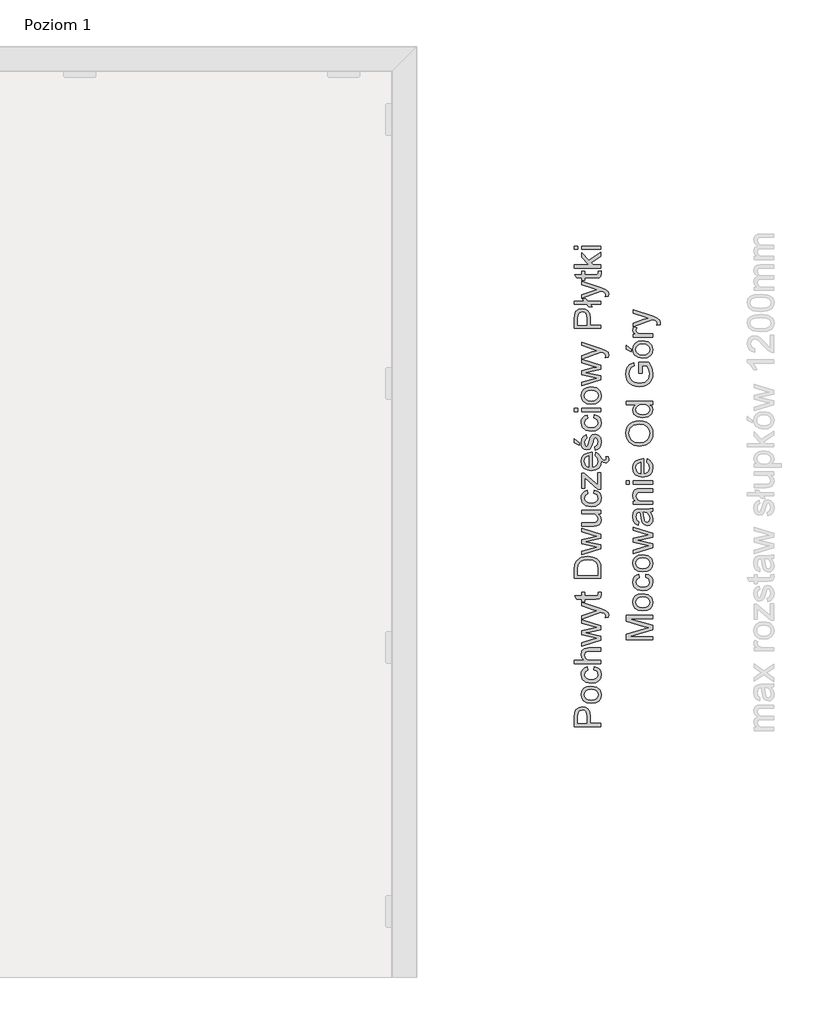
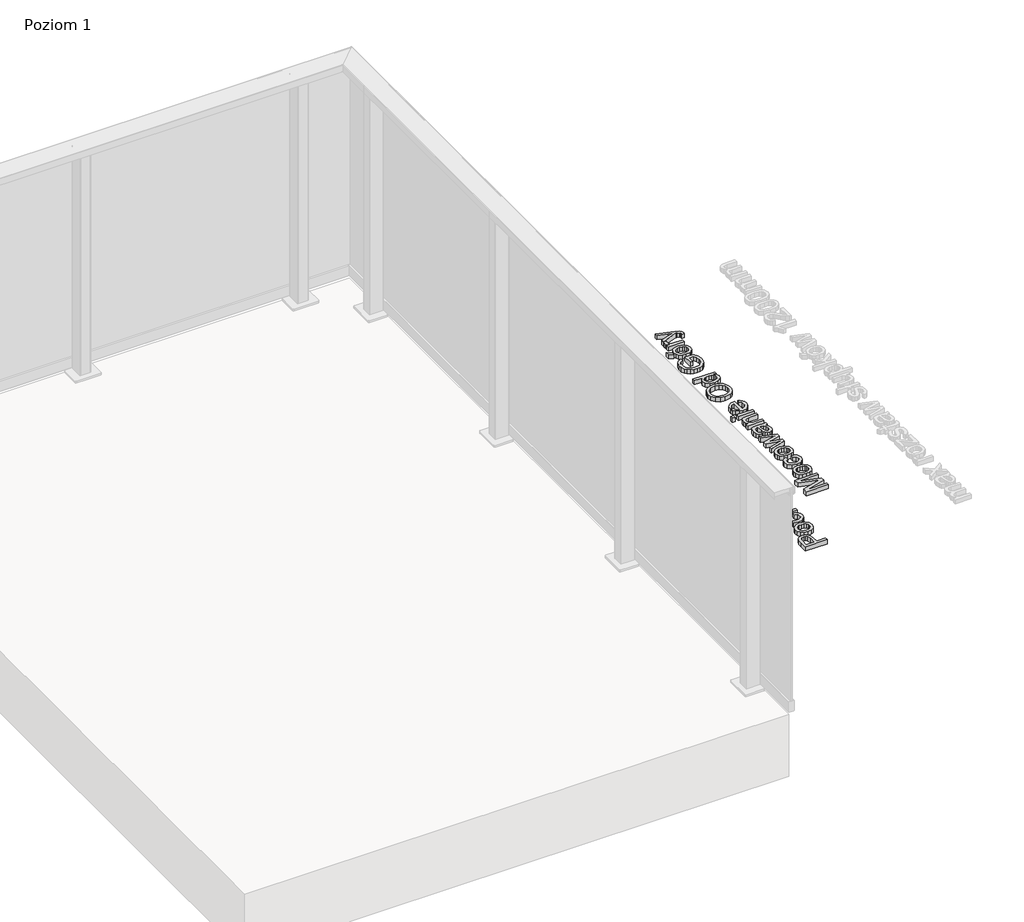
# One storey, part 24 of 35: 2 proxies.
"""IFC4 building model written with IfcOpenShell, lengths in millimetres."""

from ifc_helpers import new_model, si_unit, origin, origin_with_axes, place, context, project, spatial, polyline, outline, extrude, element, save

model = new_model("IFC4")

# Units and contexts
model_context = context("Model", 3, world=origin())
ifc_project = project(units=[si_unit("LENGTHUNIT", "METRE", prefix="MILLI")], contexts=[model_context])

# Site, building, storey
site = spatial("IfcSite", under=ifc_project)
building = spatial("IfcBuilding", under=site)
storey = spatial("IfcBuildingStorey", under=building, Name="Poziom 1", Elevation=0.0)

# Proxies
placement = place(None, origin())
element("IfcBuildingElementProxy", 1, Name="Generic Models", at=placement, inside=storey, context=model_context, shape_type="SweptSolid", body=[
    extrude(outline(polyline([(20115.5993765, -13679.4031308), (20015.1430664, -13679.4031308), (20015.1430664, -13642.1734729), (20016.0995596, -13627.1638875), (20020.7961864, -13614.962468), (20030.508271, -13607.0530051), (20044.205744, -13604.0608982), (20056.0454129, -13606.0811835), (20065.9107817, -13612.1420393), (20072.5694458, -13623.4758705), (20074.7890005, -13641.3150815), (20074.7890005, -13666.846092), (20115.5993765, -13666.846092), (20115.5993765, -13679.4031308)]), holes=[polyline([(20062.2319618, -13666.846092), (20062.2319618, -13640.5793176), (20057.6211741, -13622.0871159), (20052.0722873, -13617.9852317), (20044.6472024, -13616.6179369), (20034.2484047, -13619.8430358), (20028.5584965, -13628.3165844), (20027.7001052, -13640.8736232), (20027.7001052, -13666.846092), (20062.2319618, -13666.846092)])]), origin_with_axes(), (0.0, 0.0, 1.0), 20.0),
    extrude(outline(polyline([(20078.7130752, -13591.5038594), (20060.9259807, -13588.787664), (20048.4241242, -13580.6390778), (20042.298889, -13570.5713739), (20040.2571439, -13558.5171072), (20042.7434131, -13545.325472), (20050.2022205, -13534.7887185), (20062.0449551, -13527.881734), (20077.6830056, -13525.5794059), (20100.0257054, -13529.6506333), (20112.6685833, -13541.5086963), (20117.1690064, -13558.5171072), (20114.6919343, -13571.8681579), (20107.260718, -13582.3926487), (20095.1696631, -13589.2260567), (20078.7130752, -13591.5038594)]), holes=[polyline([(20078.6885497, -13578.9468206), (20090.0530377, -13577.4936868), (20098.1495072, -13573.1342851), (20102.9963525, -13566.5737229), (20104.6119676, -13558.5171072), (20102.9871555, -13550.4972797), (20098.112719, -13543.9489802), (20089.9089505, -13539.5895785), (20078.2961422, -13538.1364446), (20067.2627481, -13539.5987756), (20059.2766431, -13543.9857684), (20054.4297978, -13550.5432649), (20052.8141827, -13558.5171072), (20054.4236664, -13566.5737229), (20059.2521176, -13573.1342851), (20067.3301931, -13577.4936868), (20078.6885497, -13578.9468206)])]), origin_with_axes(), (0.0, 0.0, 1.0), 20.0),
    extrude(outline(polyline([(20088.9156692, -13464.3638419), (20090.485299, -13451.8068031), (20101.6535832, -13455.3078134), (20110.0934093, -13461.8867698), (20115.4001071, -13470.9244041), (20117.1690064, -13481.8014484), (20114.7011313, -13495.1586305), (20107.2975062, -13505.6034135), (20095.2830934, -13512.3448511), (20078.9828553, -13514.5919969), (20058.1239462, -13510.7537615), (20044.7207788, -13499.055114), (20040.2571439, -13481.9731267), (20041.7899856, -13471.3627968), (20046.3885105, -13462.8800512), (20053.8074641, -13456.7946698), (20063.8015916, -13453.3764329), (20065.3712215, -13465.9334717), (20055.9657051, -13471.75827), (20052.8141827, -13481.8750248), (20054.3654184, -13489.9898885), (20059.0191257, -13496.4308891), (20067.0266904, -13500.6339409), (20078.6394988, -13502.0349582), (20090.4086569, -13500.6645977), (20098.4438128, -13496.5535164), (20103.0699289, -13490.2290118), (20104.6119676, -13482.2183814), (20100.7614694, -13470.3848439), (20088.9156692, -13464.3638419)])), origin_with_axes(), (0.0, 0.0, 1.0), 20.0),
    extrude(outline(polyline([(20115.5993765, -13440.8193942), (20015.1430664, -13440.8193942), (20015.1430664, -13428.2623554), (20052.0784187, -13428.2623554), (20043.2124626, -13418.470563), (20040.2571439, -13406.4101649), (20043.4822427, -13392.3080217), (20052.3972498, -13383.748634), (20068.9028886, -13381.17346), (20115.5993765, -13381.17346), (20115.5993765, -13393.7304988), (20070.2027383, -13393.7304988), (20056.9589865, -13397.7281498), (20052.8141827, -13409.0589153), (20055.6100859, -13419.3473484), (20063.188455, -13426.214479), (20076.4076813, -13428.2623554), (20115.5993765, -13428.2623554), (20115.5993765, -13440.8193942)])), origin_with_axes(), (0.0, 0.0, 1.0), 20.0),
    extrude(outline(polyline([(20115.5993765, -13351.669324), (20041.8267738, -13374.1101257), (20041.8267738, -13361.0625776), (20084.8689672, -13348.3338606), (20100.2464346, -13344.5324133), (20085.4330529, -13341.4176791), (20041.8267738, -13331.2886615), (20041.8267738, -13316.328127), (20085.3104256, -13306.2481603), (20098.7258557, -13303.4767826), (20084.5746616, -13299.5036571), (20041.8267738, -13286.7504146), (20041.8267738, -13273.6538156), (20115.5993765, -13296.2662955), (20115.5993765, -13311.4475592), (20072.3364539, -13321.0860675), (20058.8474474, -13323.8819706), (20115.5993765, -13336.3163821), (20115.5993765, -13351.669324)])), origin_with_axes(), (0.0, 0.0, 1.0), 20.0),
    extrude(outline(polyline([(20143.8527138, -13265.0208514), (20131.7616589, -13266.5904813), (20132.8653048, -13260.21386), (20131.479616, -13254.2541717), (20127.616855, -13250.5998772), (20118.3707542, -13247.1663119), (20115.3295964, -13246.1852933), (20041.8267738, -13272.8690006), (20041.8267738, -13259.6252488), (20082.7843026, -13245.4740547), (20099.1673141, -13240.544436), (20084.6972889, -13235.6148173), (20041.8267738, -13221.0712157), (20041.8267738, -13207.9255658), (20117.3652101, -13233.603729), (20133.7482216, -13240.2746559), (20142.601915, -13247.5587194), (20145.4223436, -13257.3443804), (20143.8527138, -13265.0208514)])), origin_with_axes(), (0.0, 0.0, 1.0), 20.0),
    extrude(outline(polyline([(20105.1270024, -13170.8430606), (20115.9672585, -13169.2734308), (20117.1690064, -13178.6666844), (20115.0843417, -13189.1881095), (20109.6151627, -13194.4365593), (20095.3658668, -13195.9571382), (20054.3838125, -13195.9571382), (20054.3838125, -13205.3749173), (20041.8267738, -13205.3749173), (20041.8267738, -13195.9571382), (20023.8986579, -13195.9571382), (20016.5164925, -13183.4000994), (20041.8267738, -13183.4000994), (20041.8267738, -13170.8430606), (20054.3838125, -13170.8430606), (20054.3838125, -13183.4000994), (20094.9979848, -13183.4000994), (20101.4727079, -13182.7379118), (20103.765839, -13180.5919335), (20104.6119676, -13176.3122396), (20105.1270024, -13170.8430606)])), origin_with_axes(), (0.0, 0.0, 1.0), 20.0),
    extrude(outline(polyline([(20115.5993765, -13117.4756459), (20015.1430664, -13117.4756459), (20015.1430664, -13082.8211619), (20016.5900689, -13064.893046), (20023.7760305, -13050.1287153), (20040.943857, -13038.2338641), (20064.8316612, -13034.285264), (20085.1019591, -13036.9585399), (20099.7313998, -13043.8256704), (20108.8426106, -13052.9981949), (20113.8825939, -13065.0034106), (20115.5993765, -13081.1534302), (20115.5993765, -13117.4756459)]), holes=[polyline([(20103.0423378, -13104.9186071), (20103.0423378, -13082.6985346), (20101.2274533, -13066.5362523), (20096.1016308, -13057.2165751), (20083.6304312, -13049.5768923), (20064.6354575, -13046.8423028), (20050.9502472, -13048.1820064), (20040.8457551, -13052.2011172), (20029.7111934, -13065.2364026), (20027.7001052, -13083.0418911), (20027.7001052, -13104.9186071), (20103.0423378, -13104.9186071)])]), origin_with_axes(), (0.0, 0.0, 1.0), 20.0),
    extrude(outline(polyline([(20115.5993765, -13006.3507579), (20041.8267738, -13028.7915596), (20041.8267738, -13015.7440115), (20084.8689672, -13003.0152944), (20100.2464346, -12999.2138472), (20085.4330529, -12996.0991129), (20041.8267738, -12985.9700953), (20041.8267738, -12971.0095609), (20085.3104256, -12960.9295942), (20098.7258557, -12958.1582165), (20084.5746616, -12954.185091), (20041.8267738, -12941.4318485), (20041.8267738, -12928.3352494), (20115.5993765, -12950.9477294), (20115.5993765, -12966.1289931), (20072.3364539, -12975.7675013), (20058.8474474, -12978.5634045), (20115.5993765, -12990.9978159), (20115.5993765, -13006.3507579)])), origin_with_axes(), (0.0, 0.0, 1.0), 20.0),
    extrude(outline(polyline([(20115.5993765, -12872.6133899), (20102.9197104, -12872.6133899), (20113.6066824, -12882.4481019), (20117.1690064, -12895.2749208), (20114.6674088, -12907.0839328), (20108.3888894, -12915.2263877), (20099.1427886, -12918.9665213), (20087.4686666, -12919.7022853), (20041.8267738, -12919.7022853), (20041.8267738, -12907.1452465), (20081.5580292, -12907.1452465), (20094.3603227, -12906.384957), (20101.8773781, -12901.4185501), (20104.6119676, -12892.0620847), (20101.8160644, -12881.5774478), (20094.2009071, -12874.6490036), (20080.2091286, -12872.6133899), (20041.8267738, -12872.6133899), (20041.8267738, -12860.0563511), (20115.5993765, -12860.0563511), (20115.5993765, -12872.6133899)])), origin_with_axes(), (0.0, 0.0, 1.0), 20.0),
    extrude(outline(polyline([(20088.9156692, -12795.7015274), (20090.485299, -12783.1444887), (20101.6535832, -12786.645499), (20110.0934093, -12793.2244553), (20115.4001071, -12802.2620897), (20117.1690064, -12813.139134), (20114.7011313, -12826.4963161), (20107.2975062, -12836.9410991), (20095.2830934, -12843.6825367), (20078.9828553, -12845.9296825), (20058.1239462, -12842.091447), (20044.7207788, -12830.3927996), (20040.2571439, -12813.3108123), (20041.7899856, -12802.7004824), (20046.3885105, -12794.2177367), (20053.8074641, -12788.1323554), (20063.8015916, -12784.7141185), (20065.3712215, -12797.2711573), (20055.9657051, -12803.0959555), (20052.8141827, -12813.2127104), (20054.3654184, -12821.3275741), (20059.0191257, -12827.7685747), (20067.0266904, -12831.9716265), (20078.6394988, -12833.3726437), (20090.4086569, -12832.0022833), (20098.4438128, -12827.891202), (20103.0699289, -12821.5666974), (20104.6119676, -12813.5560669), (20100.7614694, -12801.7225294), (20088.9156692, -12795.7015274)])), origin_with_axes(), (0.0, 0.0, 1.0), 20.0),
    extrude(outline(polyline([(20115.5993765, -12780.005229), (20103.7781018, -12780.005229), (20054.3838125, -12736.6687299), (20054.3838125, -12749.4955488), (20054.3838125, -12776.8659693), (20041.8267738, -12776.8659693), (20041.8267738, -12718.789665), (20052.4953516, -12718.789665), (20096.32236, -12757.2210707), (20103.0423378, -12763.1071827), (20103.0423378, -12748.5881066), (20103.0423378, -12717.2200351), (20115.5993765, -12717.2200351), (20115.5993765, -12780.005229)])), origin_with_axes(), (0.0, 0.0, 1.0), 20.0),
    extrude(outline(polyline([(20093.6245587, -12653.0123642), (20095.1941885, -12640.7005801), (20104.4709462, -12645.1366239), (20111.4055218, -12652.2152866), (20115.768218, -12662.1077933), (20121.6694295, -12667.9851614), (20128.9902812, -12670.1311397), (20133.9689508, -12668.5982981), (20136.0045645, -12663.6318912), (20135.5631061, -12660.4926315), (20134.3858838, -12657.574101), (20143.0433734, -12657.574101), (20145.4223436, -12666.3787434), (20144.4167995, -12672.1544907), (20141.6454218, -12676.2747691), (20137.5864571, -12678.7395784), (20132.6691011, -12679.5489188), (20123.7540941, -12677.0963722), (20116.8755159, -12671.241823), (20117.1690064, -12673.6628069), (20114.6827372, -12688.3964808), (20107.2239298, -12699.7333776), (20095.276962, -12706.9622588), (20079.3262118, -12709.3718859), (20062.8389671, -12706.9377334), (20050.5087889, -12699.6352758), (20042.8200552, -12688.4516631), (20040.2571439, -12674.3740454), (20042.8139238, -12660.7348205), (20050.4842634, -12649.8363163), (20062.7899161, -12642.6902086), (20079.2526354, -12640.3081727), (20082.6371498, -12640.3817491), (20082.6371498, -12696.8148471), (20092.0365347, -12694.6412777), (20098.9465849, -12689.5920973), (20103.1956219, -12682.3049681), (20104.6119676, -12673.4175522), (20101.9877427, -12661.1057681), (20093.6245587, -12653.0123642)]), holes=[polyline([(20070.080111, -12696.8148471), (20070.080111, -12652.8652114), (20058.7002946, -12657.892932), (20054.2857107, -12665.2137837), (20052.8141827, -12674.4230964), (20057.5108095, -12689.8864029), (20063.0014483, -12694.7516423), (20070.080111, -12696.8148471)])]), origin_with_axes(), (0.0, 0.0, 1.0), 20.0),
    extrude(outline(polyline([(20093.6245587, -12632.4600234), (20092.0549288, -12619.9029847), (20101.3746061, -12614.0904491), (20104.6119676, -12600.7731209), (20101.6443862, -12587.9708275), (20094.6791537, -12583.8014982), (20089.0382965, -12587.995353), (20085.4575784, -12600.9202737), (20079.3139491, -12619.8294083), (20072.1402502, -12628.0822277), (20062.0112326, -12630.8903936), (20052.6547672, -12628.6340507), (20045.5055937, -12622.4781586), (20041.7899856, -12614.4951193), (20040.2571439, -12603.6916514), (20042.7219533, -12588.4122859), (20049.3928801, -12578.7002012), (20060.6623319, -12574.3837191), (20062.2319618, -12586.9407579), (20055.3035175, -12591.6619102), (20052.8141827, -12602.7106328), (20055.1931529, -12614.7281113), (20060.7359083, -12618.3333548), (20064.3902028, -12616.8373014), (20067.1615805, -12612.1529373), (20069.8348563, -12601.3372066), (20075.7454937, -12582.9063187), (20082.440946, -12574.3469309), (20093.3547786, -12571.2444594), (20105.3722571, -12574.8864912), (20114.0910604, -12585.3956535), (20117.1690064, -12600.9447992), (20115.6852157, -12613.6060712), (20111.2338435, -12622.8460406), (20103.8639409, -12629.0141954), (20093.6245587, -12632.4600234)])), origin_with_axes(), (0.0, 0.0, 1.0), 20.0),
    extrude(outline(polyline([(20033.9786245, -12613.6244653), (20015.1430664, -12604.2066862), (20015.1430664, -12588.5103878), (20033.9786245, -12604.2066862), (20033.9786245, -12613.6244653)])), origin_with_axes(), (0.0, 0.0, 1.0), 20.0),
    extrude(outline(polyline([(20088.9156692, -12510.0288954), (20090.485299, -12497.4718567), (20101.6535832, -12500.972867), (20110.0934093, -12507.5518233), (20115.4001071, -12516.5894577), (20117.1690064, -12527.466502), (20114.7011313, -12540.8236841), (20107.2975062, -12551.2684671), (20095.2830934, -12558.0099047), (20078.9828553, -12560.2570505), (20058.1239462, -12556.418815), (20044.7207788, -12544.7201676), (20040.2571439, -12527.6381803), (20041.7899856, -12517.0278504), (20046.3885105, -12508.5451047), (20053.8074641, -12502.4597234), (20063.8015916, -12499.0414865), (20065.3712215, -12511.5985253), (20055.9657051, -12517.4233235), (20052.8141827, -12527.5400784), (20054.3654184, -12535.6549421), (20059.0191257, -12542.0959427), (20067.0266904, -12546.2989945), (20078.6394988, -12547.7000118), (20090.4086569, -12546.3296513), (20098.4438128, -12542.21857), (20103.0699289, -12535.8940654), (20104.6119676, -12527.8834349), (20100.7614694, -12516.0498974), (20088.9156692, -12510.0288954)])), origin_with_axes(), (0.0, 0.0, 1.0), 20.0),
    extrude(outline(polyline([(20027.7001052, -12486.4844478), (20015.1430664, -12486.4844478), (20015.1430664, -12473.927409), (20027.7001052, -12473.927409), (20027.7001052, -12486.4844478)])), origin_with_axes(), (0.0, 0.0, 1.0), 20.0),
    extrude(outline(polyline([(20115.5993765, -12486.4844478), (20041.8267738, -12486.4844478), (20041.8267738, -12473.927409), (20115.5993765, -12473.927409), (20115.5993765, -12486.4844478)])), origin_with_axes(), (0.0, 0.0, 1.0), 20.0),
    extrude(outline(polyline([(20078.7130752, -12458.2311105), (20060.9259807, -12455.5149151), (20048.4241242, -12447.3663289), (20042.298889, -12437.298625), (20040.2571439, -12425.2443583), (20042.7434131, -12412.0527231), (20050.2022205, -12401.5159696), (20062.0449551, -12394.6089851), (20077.6830056, -12392.306657), (20100.0257054, -12396.3778844), (20112.6685833, -12408.2359474), (20117.1690064, -12425.2443583), (20114.6919343, -12438.595409), (20107.260718, -12449.1198998), (20095.1696631, -12455.9533078), (20078.7130752, -12458.2311105)]), holes=[polyline([(20078.6885497, -12445.6740718), (20090.0530377, -12444.2209379), (20098.1495072, -12439.8615362), (20102.9963525, -12433.300974), (20104.6119676, -12425.2443583), (20102.9871555, -12417.2245308), (20098.112719, -12410.6762313), (20089.9089505, -12406.3168296), (20078.2961422, -12404.8636958), (20067.2627481, -12406.3260267), (20059.2766431, -12410.7130195), (20054.4297978, -12417.270516), (20052.8141827, -12425.2443583), (20054.4236664, -12433.300974), (20059.2521176, -12439.8615362), (20067.3301931, -12444.2209379), (20078.6885497, -12445.6740718)])]), origin_with_axes(), (0.0, 0.0, 1.0), 20.0),
    extrude(outline(polyline([(20115.5993765, -12365.9417807), (20041.8267738, -12388.3825824), (20041.8267738, -12375.3350343), (20084.8689672, -12362.6063172), (20100.2464346, -12358.80487), (20085.4330529, -12355.6901357), (20041.8267738, -12345.5611181), (20041.8267738, -12330.6005837), (20085.3104256, -12320.520617), (20098.7258557, -12317.7492393), (20084.5746616, -12313.7761138), (20041.8267738, -12301.0228713), (20041.8267738, -12287.9262722), (20115.5993765, -12310.5387522), (20115.5993765, -12325.7200159), (20072.3364539, -12335.3585241), (20058.8474474, -12338.1544273), (20115.5993765, -12350.5888387), (20115.5993765, -12365.9417807)])), origin_with_axes(), (0.0, 0.0, 1.0), 20.0),
    extrude(outline(polyline([(20143.8527138, -12279.2933081), (20131.7616589, -12280.8629379), (20132.8653048, -12274.4863167), (20131.479616, -12268.5266283), (20127.616855, -12264.8723339), (20118.3707542, -12261.4387686), (20115.3295964, -12260.4577499), (20041.8267738, -12287.1414573), (20041.8267738, -12273.8977055), (20082.7843026, -12259.7465114), (20099.1673141, -12254.8168927), (20084.6972889, -12249.8872739), (20041.8267738, -12235.3436724), (20041.8267738, -12222.1980224), (20117.3652101, -12247.8761857), (20133.7482216, -12254.5471125), (20142.601915, -12261.831176), (20145.4223436, -12271.6168371), (20143.8527138, -12279.2933081)])), origin_with_axes(), (0.0, 0.0, 1.0), 20.0),
    extrude(outline(polyline([(20115.5993765, -12170.9888487), (20015.1430664, -12170.9888487), (20015.1430664, -12133.7591908), (20016.0995596, -12118.7496054), (20020.7961864, -12106.5481859), (20030.508271, -12098.638723), (20044.205744, -12095.6466161), (20056.0454129, -12097.6669014), (20065.9107817, -12103.7277572), (20072.5694458, -12115.0615884), (20074.7890005, -12132.9007995), (20074.7890005, -12158.4318099), (20115.5993765, -12158.4318099), (20115.5993765, -12170.9888487)]), holes=[polyline([(20062.2319618, -12158.4318099), (20062.2319618, -12132.1650355), (20057.6211741, -12113.6728338), (20052.0722873, -12109.5709496), (20044.6472024, -12108.2036548), (20034.2484047, -12111.4287537), (20028.5584965, -12119.9023023), (20027.7001052, -12132.4593411), (20027.7001052, -12158.4318099), (20062.2319618, -12158.4318099)])]), origin_with_axes(), (0.0, 0.0, 1.0), 20.0),
    extrude(outline(polyline([(20075.8926465, -12079.9503176), (20083.4219647, -12089.3680967), (20069.2952961, -12089.3680967), (20061.7659779, -12079.9503176), (20015.1430664, -12079.9503176), (20015.1430664, -12067.3932788), (20051.7105367, -12067.3932788), (20044.1812185, -12057.9754998), (20058.3078872, -12057.9754998), (20065.8372053, -12067.3932788), (20115.5993765, -12067.3932788), (20115.5993765, -12079.9503176), (20075.8926465, -12079.9503176)])), origin_with_axes(), (0.0, 0.0, 1.0), 20.0),
    extrude(outline(polyline([(20143.8527138, -12048.5577207), (20131.7616589, -12050.1273505), (20132.8653048, -12043.7507293), (20131.479616, -12037.791041), (20127.616855, -12034.1367465), (20118.3707542, -12030.7031812), (20115.3295964, -12029.7221625), (20041.8267738, -12056.4058699), (20041.8267738, -12043.1621181), (20082.7843026, -12029.010924), (20099.1673141, -12024.0813053), (20084.6972889, -12019.1516865), (20041.8267738, -12004.608085), (20041.8267738, -11991.462435), (20117.3652101, -12017.1405983), (20133.7482216, -12023.8115252), (20142.601915, -12031.0955887), (20145.4223436, -12040.8812497), (20143.8527138, -12048.5577207)])), origin_with_axes(), (0.0, 0.0, 1.0), 20.0),
    extrude(outline(polyline([(20105.1270024, -11954.3799299), (20115.9672585, -11952.8103001), (20117.1690064, -11962.2035537), (20115.0843417, -11972.7249788), (20109.6151627, -11977.9734286), (20095.3658668, -11979.4940075), (20054.3838125, -11979.4940075), (20054.3838125, -11988.9117865), (20041.8267738, -11988.9117865), (20041.8267738, -11979.4940075), (20023.8986579, -11979.4940075), (20016.5164925, -11966.9369687), (20041.8267738, -11966.9369687), (20041.8267738, -11954.3799299), (20054.3838125, -11954.3799299), (20054.3838125, -11966.9369687), (20094.9979848, -11966.9369687), (20101.4727079, -11966.2747811), (20103.765839, -11964.1288028), (20104.6119676, -11959.8491089), (20105.1270024, -11954.3799299)])), origin_with_axes(), (0.0, 0.0, 1.0), 20.0),
    extrude(outline(polyline([(20115.5993765, -11941.8228912), (20015.1430664, -11941.8228912), (20015.1430664, -11929.2658524), (20069.1236178, -11929.2658524), (20041.8267738, -11901.110617), (20041.8267738, -11883.7465869), (20069.4669743, -11912.2451787), (20115.5993765, -11882.176957), (20115.5993765, -11896.8431859), (20078.1980404, -11921.2460249), (20085.9726132, -11929.2658524), (20115.5993765, -11929.2658524), (20115.5993765, -11941.8228912)])), origin_with_axes(), (0.0, 0.0, 1.0), 20.0),
    extrude(outline(polyline([(20027.7001052, -11871.1895481), (20015.1430664, -11871.1895481), (20015.1430664, -11858.6325093), (20027.7001052, -11858.6325093), (20027.7001052, -11871.1895481)])), origin_with_axes(), (0.0, 0.0, 1.0), 20.0),
    extrude(outline(polyline([(20115.5993765, -11871.1895481), (20041.8267738, -11871.1895481), (20041.8267738, -11858.6325093), (20115.5993765, -11858.6325093), (20115.5993765, -11871.1895481)])), origin_with_axes(), (0.0, 0.0, 1.0), 20.0),
])
element("IfcBuildingElementProxy", 2, Name="Generic Models", at=placement, inside=storey, context=model_context, shape_type="SweptSolid", body=[
    extrude(outline(polyline([(20311.0111089, -13350.8578482), (20210.5547987, -13350.8578482), (20210.5547987, -13329.2509123), (20281.3598201, -13308.6985715), (20296.1486763, -13304.5537677), (20280.1335468, -13300.0656074), (20210.5547987, -13279.8566231), (20210.5547987, -13258.2496873), (20311.0111089, -13258.2496873), (20311.0111089, -13270.806726), (20223.1118375, -13270.806726), (20311.0111089, -13296.0434309), (20311.0111089, -13313.0641045), (20223.1118375, -13338.3008094), (20311.0111089, -13338.3008094), (20311.0111089, -13350.8578482)])), origin_with_axes(), (0.0, 0.0, 1.0), 20.0),
    extrude(outline(polyline([(20274.1248075, -13240.983759), (20256.337713, -13238.2675636), (20243.8358566, -13230.1189774), (20237.7106214, -13220.0512734), (20235.6688763, -13207.9970067), (20238.1551454, -13194.8053715), (20245.6139529, -13184.268618), (20257.4566874, -13177.3616336), (20273.0947379, -13175.0593054), (20295.4374378, -13179.1305328), (20308.0803157, -13190.9885958), (20312.5807387, -13207.9970067), (20310.1036666, -13221.3480575), (20302.6724503, -13231.8725482), (20290.5813954, -13238.7059563), (20274.1248075, -13240.983759)]), holes=[polyline([(20274.100282, -13228.4267202), (20285.46477, -13226.9735863), (20293.5612396, -13222.6141847), (20298.4080849, -13216.0536224), (20300.0237, -13207.9970067), (20298.3988878, -13199.9771792), (20293.5244514, -13193.4288797), (20285.3206829, -13189.0694781), (20273.7078746, -13187.6163442), (20262.6744804, -13189.0786751), (20254.6883754, -13193.4656679), (20249.8415301, -13200.0231645), (20248.225915, -13207.9970067), (20249.8353988, -13216.0536224), (20254.66385, -13222.6141847), (20262.7419254, -13226.9735863), (20274.100282, -13228.4267202)])]), origin_with_axes(), (0.0, 0.0, 1.0), 20.0),
    extrude(outline(polyline([(20284.3274015, -13113.8437414), (20285.8970314, -13101.2867027), (20297.0653156, -13104.787713), (20305.5051417, -13111.3666693), (20310.8118395, -13120.4043037), (20312.5807387, -13131.281348), (20310.1128637, -13144.6385301), (20302.7092385, -13155.0833131), (20290.6948257, -13161.8247506), (20274.3945876, -13164.0718965), (20253.5356785, -13160.233661), (20240.1325112, -13148.5350136), (20235.6688763, -13131.4530263), (20237.2017179, -13120.8426964), (20241.8002429, -13112.3599507), (20249.2191964, -13106.2745694), (20259.213324, -13102.8563325), (20260.7829538, -13115.4133713), (20251.3774375, -13121.2381695), (20248.225915, -13131.3549244), (20249.7771508, -13139.4697881), (20254.430858, -13145.9107887), (20262.4384228, -13150.1138405), (20274.0512311, -13151.5148577), (20285.8203893, -13150.1444973), (20293.8555452, -13146.033416), (20298.4816613, -13139.7089114), (20300.0237, -13131.6982809), (20296.1732018, -13119.8647434), (20284.3274015, -13113.8437414)])), origin_with_axes(), (0.0, 0.0, 1.0), 20.0),
    extrude(outline(polyline([(20274.1248075, -13093.4385534), (20256.337713, -13090.722358), (20243.8358566, -13082.5737718), (20237.7106214, -13072.5060679), (20235.6688763, -13060.4518012), (20238.1551454, -13047.260166), (20245.6139529, -13036.7234125), (20257.4566874, -13029.816428), (20273.0947379, -13027.5140999), (20295.4374378, -13031.5853273), (20308.0803157, -13043.4433903), (20312.5807387, -13060.4518012), (20310.1036666, -13073.8028519), (20302.6724503, -13084.3273427), (20290.5813954, -13091.1607507), (20274.1248075, -13093.4385534)]), holes=[polyline([(20274.100282, -13080.8815147), (20285.46477, -13079.4283808), (20293.5612396, -13075.0689791), (20298.4080849, -13068.5084169), (20300.0237, -13060.4518012), (20298.3988878, -13052.4319737), (20293.5244514, -13045.8836742), (20285.3206829, -13041.5242725), (20273.7078746, -13040.0711387), (20262.6744804, -13041.5334696), (20254.6883754, -13045.9204624), (20249.8415301, -13052.4779589), (20248.225915, -13060.4518012), (20249.8353988, -13068.5084169), (20254.66385, -13075.0689791), (20262.7419254, -13079.4283808), (20274.100282, -13080.8815147)])]), origin_with_axes(), (0.0, 0.0, 1.0), 20.0),
    extrude(outline(polyline([(20311.0111089, -13001.1492236), (20237.2385061, -13023.5900253), (20237.2385061, -13010.5424772), (20280.2806996, -12997.8137601), (20295.658167, -12994.0123129), (20280.8447853, -12990.8975786), (20237.2385061, -12980.768561), (20237.2385061, -12965.8080266), (20280.722158, -12955.7280599), (20294.137588, -12952.9566822), (20279.986394, -12948.9835566), (20237.2385061, -12936.2303141), (20237.2385061, -12923.1337151), (20311.0111089, -12945.7461951), (20311.0111089, -12960.9274588), (20267.7481863, -12970.565967), (20254.2591798, -12973.3618702), (20311.0111089, -12985.7962816), (20311.0111089, -13001.1492236)])), origin_with_axes(), (0.0, 0.0, 1.0), 20.0),
    extrude(outline(polyline([(20301.5933298, -12867.4118556), (20310.1036666, -12879.5887496), (20312.5807387, -12893.0409679), (20311.0908167, -12903.5348018), (20306.6210504, -12911.2756521), (20299.8336276, -12916.048921), (20291.3907358, -12917.6400107), (20281.4579219, -12915.236515), (20274.2474348, -12908.9212074), (20270.1271565, -12900.1288277), (20268.2386956, -12889.2640461), (20263.9222135, -12867.485432), (20261.1263103, -12867.4118556), (20251.8556841, -12870.8699463), (20248.225915, -12884.7513603), (20250.6416735, -12897.4555519), (20259.213324, -12903.513342), (20257.6436941, -12916.0703808), (20245.380961, -12910.63799), (20238.1949993, -12899.699632), (20235.6688763, -12883.1326795), (20237.9006937, -12867.9146276), (20243.5047628, -12859.3184517), (20252.0273623, -12855.4679535), (20263.0147713, -12854.8548168), (20278.6374933, -12854.8548168), (20300.4528956, -12854.2171547), (20311.0111089, -12851.7155571), (20311.0111089, -12864.2725959), (20301.5933298, -12867.4118556)]), holes=[polyline([(20276.4792523, -12867.4118556), (20280.3297505, -12887.6698908), (20282.3653642, -12898.4733587), (20285.6763022, -12903.3661892), (20290.507819, -12905.0829719), (20297.3013732, -12901.3428383), (20300.0237, -12890.3676921), (20297.0193303, -12877.6635005), (20289.7475296, -12869.4719948), (20280.0354449, -12867.485432), (20276.4792523, -12867.4118556)])]), origin_with_axes(), (0.0, 0.0, 1.0), 20.0),
    extrude(outline(polyline([(20311.0111089, -12837.5888885), (20237.2385061, -12837.5888885), (20237.2385061, -12825.0318497), (20247.539202, -12825.0318497), (20238.6364577, -12815.4301297), (20235.6688763, -12802.3212679), (20238.0601092, -12790.4632049), (20244.3386286, -12782.369801), (20253.5724667, -12778.6051419), (20265.7125726, -12777.9429544), (20311.0111089, -12777.9429544), (20311.0111089, -12790.4999931), (20267.4048297, -12790.4999931), (20256.2947935, -12791.9469956), (20250.4209443, -12797.0605554), (20248.225915, -12805.6812568), (20253.1555338, -12819.3051533), (20260.2985759, -12823.6001756), (20271.8684646, -12825.0318497), (20311.0111089, -12825.0318497), (20311.0111089, -12837.5888885)])), origin_with_axes(), (0.0, 0.0, 1.0), 20.0),
    extrude(outline(polyline([(20223.1118375, -12760.677026), (20210.5547987, -12760.677026), (20210.5547987, -12748.1199873), (20223.1118375, -12748.1199873), (20223.1118375, -12760.677026)])), origin_with_axes(), (0.0, 0.0, 1.0), 20.0),
    extrude(outline(polyline([(20311.0111089, -12760.677026), (20237.2385061, -12760.677026), (20237.2385061, -12748.1199873), (20311.0111089, -12748.1199873), (20311.0111089, -12760.677026)])), origin_with_axes(), (0.0, 0.0, 1.0), 20.0),
    extrude(outline(polyline([(20289.036291, -12677.633797), (20290.6059209, -12665.3220129), (20299.8826785, -12669.7580566), (20306.8172541, -12676.8367193), (20311.1398676, -12686.3985855), (20312.5807387, -12698.2842397), (20310.0944696, -12713.0179136), (20302.6356621, -12724.3548104), (20290.6886943, -12731.5836916), (20274.7379442, -12733.9933187), (20258.2506994, -12731.5591661), (20245.9205212, -12724.2567085), (20238.2317875, -12713.0730959), (20235.6688763, -12698.9954782), (20238.2256561, -12685.3562532), (20245.8959957, -12674.4577491), (20258.2016485, -12667.3116414), (20274.6643678, -12664.9296054), (20278.0488821, -12665.0031818), (20278.0488821, -12721.4362799), (20287.4482671, -12719.2627104), (20294.3583172, -12714.2135301), (20298.6073543, -12706.9264009), (20300.0237, -12698.038985), (20297.3994751, -12685.7272009), (20289.036291, -12677.633797)]), holes=[polyline([(20265.4918434, -12721.4362799), (20265.4918434, -12677.4866442), (20254.112027, -12682.5143648), (20249.697443, -12689.8352165), (20248.225915, -12699.0445291), (20252.9225419, -12714.5078357), (20258.4131806, -12719.373075), (20265.4918434, -12721.4362799)])]), origin_with_axes(), (0.0, 0.0, 1.0), 20.0),
    extrude(outline(polyline([(20262.107329, -12616.2710802), (20239.8933879, -12612.9233541), (20223.087312, -12602.8801756), (20212.5107047, -12587.5456278), (20208.9851689, -12568.3237935), (20210.6406379, -12555.1474867), (20215.6070448, -12543.3323433), (20223.5349018, -12533.5221568), (20234.074721, -12526.3607206), (20246.7175989, -12521.9829248), (20260.9546321, -12520.5236596), (20275.3817377, -12522.0595669), (20288.2024252, -12526.6672889), (20298.7606385, -12534.0923739), (20306.4003212, -12544.08037), (20311.0356344, -12555.7943459), (20312.5807387, -12568.3973699), (20310.8731531, -12581.7760118), (20305.7503964, -12593.6586002), (20297.6753866, -12603.4442613), (20287.1110419, -12610.5321211), (20262.107329, -12616.2710802)]), holes=[polyline([(20262.2299563, -12603.7140414), (20277.9446489, -12601.2032468), (20289.9192078, -12593.670863), (20297.4975769, -12582.3492946), (20300.0237, -12568.4709463), (20297.4730515, -12554.3902629), (20289.821106, -12543.0503004), (20277.478665, -12535.5730989), (20260.8565302, -12533.0806984), (20240.1325112, -12537.3481295), (20226.4105127, -12549.8193291), (20221.5422077, -12568.2502171), (20223.8874554, -12581.7576177), (20230.9231985, -12593.2416673), (20243.4403834, -12601.0959479), (20262.2299563, -12603.7140414)])]), origin_with_axes(), (0.0, 0.0, 1.0), 20.0),
    extrude(outline(polyline([(20311.0111089, -12459.3080956), (20299.1653086, -12459.3080956), (20309.2268812, -12467.6160973), (20312.5807387, -12479.1001469), (20307.7246964, -12494.6492926), (20294.1743762, -12505.6367015), (20274.1983839, -12509.5362507), (20254.2101288, -12505.9432699), (20240.4513422, -12495.1765901), (20235.6688763, -12479.1491979), (20239.0901788, -12467.5731778), (20247.9806604, -12459.3080956), (20210.5547987, -12459.3080956), (20210.5547987, -12446.7510568), (20311.0111089, -12446.7510568), (20311.0111089, -12459.3080956)]), holes=[polyline([(20274.149333, -12496.9792119), (20285.5076896, -12495.5628662), (20293.5857651, -12491.3138292), (20298.4142162, -12485.139543), (20300.0237, -12477.94745), (20298.4877926, -12470.7584227), (20293.8800706, -12464.7404864), (20286.1146949, -12460.6661933), (20275.1058262, -12459.3080956), (20263.0699536, -12460.6907188), (20254.7251636, -12464.8385883), (20249.8507272, -12471.0098087), (20248.225915, -12478.4624848), (20249.7863478, -12485.7281542), (20254.4676462, -12491.6817112), (20262.5089335, -12495.6548367), (20274.149333, -12496.9792119)])]), origin_with_axes(), (0.0, 0.0, 1.0), 20.0),
    extrude(outline(polyline([(20271.7703627, -12340.0162273), (20259.213324, -12340.0162273), (20259.213324, -12299.2058513), (20296.7618129, -12299.2058513), (20308.6076132, -12319.3535219), (20312.5807387, -12340.6538894), (20311.0019118, -12354.7407042), (20306.2654312, -12367.4724869), (20298.5368436, -12378.0490942), (20287.981696, -12385.6703829), (20275.320424, -12390.2781049), (20261.2734631, -12391.8140122), (20247.1253347, -12390.2842363), (20233.9643564, -12385.6949084), (20222.9248308, -12378.2361009), (20215.1410609, -12368.0978863), (20210.5241419, -12355.749314), (20208.9851689, -12341.6594335), (20212.5536242, -12322.014535), (20222.4864381, -12308.2434856), (20239.1024416, -12300.6528538), (20242.3643286, -12312.2288739), (20230.7515203, -12317.9555703), (20224.056068, -12327.7412314), (20221.5422077, -12341.8556373), (20224.2522717, -12357.9320805), (20231.3646569, -12368.8704385), (20241.0399534, -12375.3328988), (20260.7584283, -12379.2569735), (20282.6474071, -12374.5358212), (20295.7440061, -12360.80156), (20300.0237, -12341.6594335), (20296.7986011, -12324.4793444), (20289.9192078, -12311.7628901), (20271.7703627, -12311.7628901), (20271.7703627, -12340.0162273)])), origin_with_axes(), (0.0, 0.0, 1.0), 20.0),
    extrude(outline(polyline([(20274.1248075, -12283.5095528), (20256.337713, -12280.7933574), (20243.8358566, -12272.6447712), (20237.7106214, -12262.5770673), (20235.6688763, -12250.5228006), (20238.1551454, -12237.3311654), (20245.6139529, -12226.7944119), (20257.4566874, -12219.8874275), (20273.0947379, -12217.5850993), (20295.4374378, -12221.6563267), (20308.0803157, -12233.5143897), (20312.5807387, -12250.5228006), (20310.1036666, -12263.8738513), (20302.6724503, -12274.3983421), (20290.5813954, -12281.2317502), (20274.1248075, -12283.5095528)]), holes=[polyline([(20274.100282, -12270.9525141), (20285.46477, -12269.4993802), (20293.5612396, -12265.1399785), (20298.4080849, -12258.5794163), (20300.0237, -12250.5228006), (20298.3988878, -12242.5029731), (20293.5244514, -12235.9546736), (20285.3206829, -12231.595272), (20273.7078746, -12230.1421381), (20262.6744804, -12231.604469), (20254.6883754, -12235.9914618), (20249.8415301, -12242.5489584), (20248.225915, -12250.5228006), (20249.8353988, -12258.5794163), (20254.66385, -12265.1399785), (20262.7419254, -12269.4993802), (20274.100282, -12270.9525141)])]), origin_with_axes(), (0.0, 0.0, 1.0), 20.0),
    extrude(outline(polyline([(20229.3903569, -12259.9651051), (20210.5547987, -12250.5473261), (20210.5547987, -12234.8510276), (20229.3903569, -12250.5473261), (20229.3903569, -12259.9651051)])), origin_with_axes(), (0.0, 0.0, 1.0), 20.0),
    extrude(outline(polyline([(20339.2644461, -12156.3695353), (20327.1733912, -12157.9391652), (20328.2770372, -12151.5625439), (20326.8913483, -12145.6028556), (20323.0285874, -12141.9485611), (20313.7824866, -12138.5149958), (20310.7413288, -12137.5339772), (20237.2385061, -12164.2176845), (20237.2385061, -12150.9739327), (20278.1960349, -12136.8227386), (20294.5790464, -12131.8931199), (20280.1090213, -12126.9635012), (20237.2385061, -12112.4198996), (20237.2385061, -12099.2742497), (20312.7769425, -12124.9524129), (20329.159954, -12131.6233398), (20338.0136473, -12138.9074033), (20340.834076, -12148.6930643), (20339.2644461, -12156.3695353)])), origin_with_axes(), (0.0, 0.0, 1.0), 20.0),
    extrude(outline(polyline([(20311.0111089, -12203.4584307), (20237.2385061, -12203.4584307), (20237.2385061, -12192.4710218), (20248.1523386, -12192.4710218), (20238.0968974, -12184.6719235), (20235.6688763, -12176.8237742), (20239.5439, -12164.2176845), (20250.801089, -12168.4115393), (20248.225915, -12177.2407072), (20250.7029871, -12184.3408297), (20257.5701177, -12188.8657782), (20272.2363466, -12190.9013919), (20311.0111089, -12190.9013919), (20311.0111089, -12203.4584307)])), origin_with_axes(), (0.0, 0.0, 1.0), 20.0),
])

save(model, "model.ifc")
